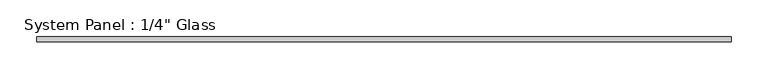
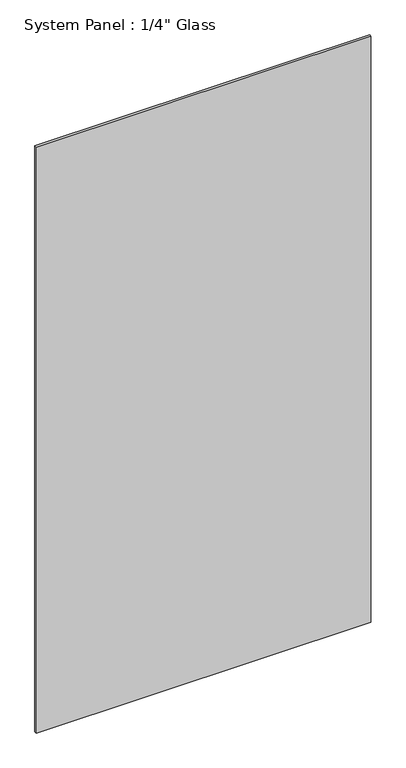
"""IFC4 building model written with IfcOpenShell, lengths in millimetres: plate geometry."""

from ifc_helpers import new_model, si_unit, origin, origin_with_axes, place, context, project, spatial, polyline, outline, extrude, source, transform, mapped, element, save


def plate_50bb4f5c(model_context):
    return source(origin(), model_context, "Body", "SweptSolid", [
        extrude(outline(polyline([(469.9, -3.175), (-469.9, -3.175), (-469.9, 3.175), (469.9, 3.175), (469.9, -3.175)])), origin_with_axes(), (0.0, 0.0, 1.0), 1739.9),
    ])


if __name__ == "__main__":
    model = new_model("IFC4")
    model_context = context("Model", 3, world=origin())
    ifc_project = project(units=[si_unit("LENGTHUNIT", "METRE", prefix="MILLI")], contexts=[model_context])
    site = spatial("IfcSite", under=ifc_project)
    building = spatial("IfcBuilding", under=site)
    placement = place(None, origin())
    plate_shape = plate_50bb4f5c(model_context)
    element("IfcPlate", 1, ObjectType="System Panel : 1/4\" Glass", at=placement, inside=building, context=model_context, shape_type="MappedRepresentation", body=[
        mapped(plate_shape, transform((0.0, 0.0, 0.0), x_axis=(1.0, 0.0, 0.0), y_axis=(0.0, 1.0, 0.0), z_axis=(0.0, 0.0, 1.0))),
    ])
    save(model, "model.ifc")
